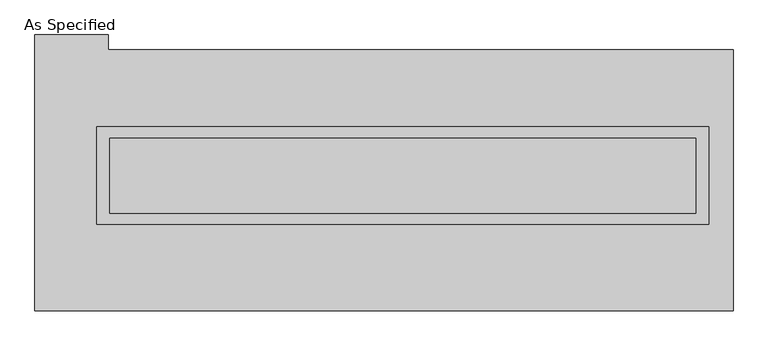
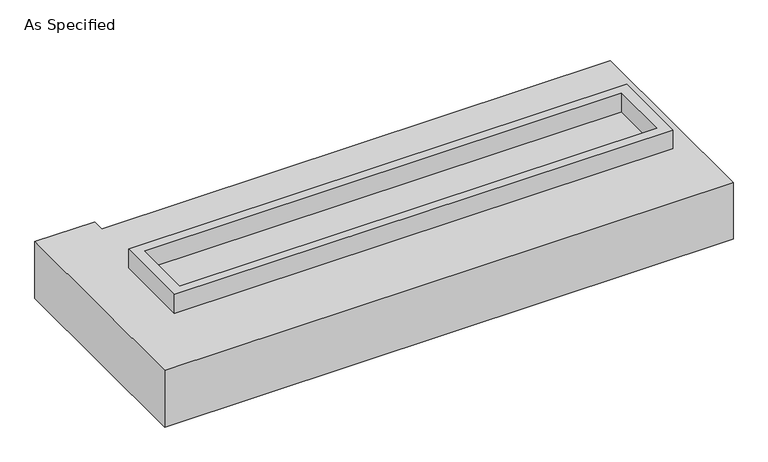
"""IFC4 building model written with IfcOpenShell, lengths in millimetres: proxy geometry, As Specified."""

import ifcopenshell
import ifcopenshell.guid

model = None  # the IFC model being written
_history = None  # IfcOwnerHistory: only IFC2X3 demands one
_inside = {}  # id of a spatial element -> (the spatial element, [elements in it])
_under = {}  # id of a project, library or spatial element -> (it, [spatial elements below it])
_declared = {}  # id of a project -> (the project, [libraries it declares])
_typed = {}  # id of a type object -> (the type object, [elements of that type])
_made_of = {}  # id of a material, layer set ... -> (it, [elements and type objects made of it])


def new_model(schema):
    """Start an empty IFC model of exactly this schema.

    Asked for "IFC4X3", IfcOpenShell would pick the latest addendum, in which some entities
    have other attributes; the version numbers below select the first issue.
    IFC2X3 requires an IfcOwnerHistory on every rooted entity: one is made here for all.
    """
    global model, _history
    if schema == "IFC4X3":
        model = ifcopenshell.file(schema_version=(4, 3, 0, 0))
    else:
        model = ifcopenshell.file(schema=schema)
    _inside.clear()
    _under.clear()
    _declared.clear()
    _typed.clear()
    _made_of.clear()
    _history = None
    if model.schema == "IFC2X3":
        org = make("IfcOrganization", Name="unknown")
        user = make(
            "IfcPersonAndOrganization",
            ThePerson=make("IfcPerson", FamilyName="unknown"),
            TheOrganization=org,
        )
        app = make(
            "IfcApplication",
            ApplicationDeveloper=org,
            Version="unknown",
            ApplicationFullName="unknown",
            ApplicationIdentifier="unknown",
        )
        _history = make(
            "IfcOwnerHistory",
            OwningUser=user,
            OwningApplication=app,
            ChangeAction="ADDED",
            CreationDate=0,
        )
    return model


def make(cls, **values):
    """One entity of the class cls with the attributes given. An attribute that is None is left unset."""
    return model.create_entity(
        cls, **{name: value for name, value in values.items() if value is not None}
    )


def rooted(cls, **values):
    """An entity with a GlobalId (a new one), such as an element, a storey or a relation."""
    return make(cls, GlobalId=ifcopenshell.guid.new(), OwnerHistory=_history, **values)


def si_unit(unit_type, name, prefix=None):
    """IfcSIUnit, for example si_unit("LENGTHUNIT", "METRE", prefix="MILLI")."""
    return make("IfcSIUnit", UnitType=unit_type, Prefix=prefix, Name=name)


def assignment(units):
    """IfcUnitAssignment: the units of a project."""
    return None if units is None else make("IfcUnitAssignment", Units=units)


def point(xyz):
    """IfcCartesianPoint."""
    return None if xyz is None else make("IfcCartesianPoint", Coordinates=xyz)


def direction(xyz):
    """IfcDirection."""
    return None if xyz is None else make("IfcDirection", DirectionRatios=xyz)


def frame(location, z_axis=None, x_axis=None):
    """IfcAxis2Placement3D, a coordinate frame: its origin and axes. An axis left out is left unset."""
    return make(
        "IfcAxis2Placement3D",
        Location=point(location),
        Axis=direction(z_axis),
        RefDirection=direction(x_axis),
    )


def origin():
    """The frame at (0, 0, 0) with its axes left unset."""
    return frame((0.0, 0.0, 0.0))


def place(relative_to, where):
    """IfcLocalPlacement: puts the frame where relative to a parent placement (None: the world)."""
    return make(
        "IfcLocalPlacement", PlacementRelTo=relative_to, RelativePlacement=where
    )


def context(
    kind, dimensions, precision=None, world=None, true_north=None, identifier=None
):
    """IfcGeometricRepresentationContext, for example the 3D "Model" context."""
    return make(
        "IfcGeometricRepresentationContext",
        ContextIdentifier=identifier,
        ContextType=kind,
        CoordinateSpaceDimension=dimensions,
        Precision=precision,
        WorldCoordinateSystem=world,
        TrueNorth=true_north,
    )


def project(units=None, contexts=None):
    """IfcProject with its units and contexts."""
    return rooted(
        "IfcProject",
        Name="project",
        RepresentationContexts=contexts,
        UnitsInContext=assignment(units),
    )


def spatial(cls, under=None, at=None, **own):
    """A site, building, storey or space (cls), placed at a placement, below another one or the project."""
    s = rooted(cls, ObjectPlacement=at, **own)
    if under is not None:
        _under.setdefault(under.id(), (under, []))[1].append(s)
    return s


def polyline(points):
    """IfcPolyline through the points."""
    return make("IfcPolyline", Points=[point(p) for p in points])


def outline(outer, holes=None, kind="AREA"):
    """IfcArbitraryClosedProfileDef: a profile drawn as a closed curve; with holes, ...WithVoids."""
    if holes is None:
        return make("IfcArbitraryClosedProfileDef", ProfileType=kind, OuterCurve=outer)
    return make(
        "IfcArbitraryProfileDefWithVoids",
        ProfileType=kind,
        OuterCurve=outer,
        InnerCurves=holes,
    )


def extrude(swept, where, along, depth):
    """IfcExtrudedAreaSolid: the profile swept, set in the frame where, extruded along a direction by depth."""
    return make(
        "IfcExtrudedAreaSolid",
        SweptArea=swept,
        Position=where,
        ExtrudedDirection=direction(along),
        Depth=depth,
    )


def faces_of(points, faces, orient=None, outer=None):
    """IfcFace entities. A face is a list of loops; a loop is a list of indices into points, from 0.

    orient and outer hold one flag for each loop. By default every Orientation is true, the
    first loop of a face is its IfcFaceOuterBound and the others are IfcFaceBound.
    """
    made = []
    for i, loops in enumerate(faces):
        bounds = []
        for j, loop in enumerate(loops):
            is_outer = j == 0 if outer is None else outer[i][j]
            bounds.append(
                make(
                    "IfcFaceOuterBound" if is_outer else "IfcFaceBound",
                    Bound=make("IfcPolyLoop", Polygon=[points[k] for k in loop]),
                    Orientation=True if orient is None else orient[i][j],
                )
            )
        made.append(make("IfcFace", Bounds=bounds))
    return made


def faceted_brep(points, faces, orient=None, outer=None, voids=None):
    """IfcFacetedBrep: a solid bounded by flat faces; with voids (closed shells), ...WithVoids."""
    shared = [point(p) for p in points]
    hull = make("IfcClosedShell", CfsFaces=faces_of(shared, faces, orient, outer))
    if voids is None:
        return make("IfcFacetedBrep", Outer=hull)
    return make(
        "IfcFacetedBrepWithVoids",
        Outer=hull,
        Voids=[
            make(cls, CfsFaces=faces_of(shared, fs, o, b)) for cls, fs, o, b in voids
        ],
    )


def shape(context_of_items, identifier, shape_type, items):
    """IfcShapeRepresentation: the items that make up one representation, for example the "Body"."""
    return make(
        "IfcShapeRepresentation",
        ContextOfItems=context_of_items,
        RepresentationIdentifier=identifier,
        RepresentationType=shape_type,
        Items=items,
    )


def source(mapping_origin, context_of_items, identifier, shape_type, items):
    """IfcRepresentationMap: a shape defined once, which mapped items show again and again."""
    return make(
        "IfcRepresentationMap",
        MappingOrigin=mapping_origin,
        MappedRepresentation=shape(context_of_items, identifier, shape_type, items),
    )


def transform(
    local_origin,
    x_axis=None,
    y_axis=None,
    z_axis=None,
    scale=None,
    scale2=None,
    scale3=None,
    uniform=True,
):
    """IfcCartesianTransformationOperator3D, or its non-uniform kind. x_axis, y_axis, z_axis: its Axis1, 2, 3."""
    if uniform:
        return make(
            "IfcCartesianTransformationOperator3D",
            Axis1=direction(x_axis),
            Axis2=direction(y_axis),
            LocalOrigin=point(local_origin),
            Scale=scale,
            Axis3=direction(z_axis),
        )
    return make(
        "IfcCartesianTransformationOperator3DnonUniform",
        Axis1=direction(x_axis),
        Axis2=direction(y_axis),
        LocalOrigin=point(local_origin),
        Scale=scale,
        Axis3=direction(z_axis),
        Scale2=scale2,
        Scale3=scale3,
    )


def mapped(mapping_source, mapping_target):
    """IfcMappedItem: shows the shape of a source again, moved by a transform."""
    return make(
        "IfcMappedItem", MappingSource=mapping_source, MappingTarget=mapping_target
    )


def made_of(thing, what):
    """Note that an element or type object is made of a material, layer set ...; save() writes the relation."""
    if what is not None:
        _made_of.setdefault(what.id(), (what, []))[1].append(thing)
    return thing


def element(
    cls,
    number,
    at=None,
    inside=None,
    cuts=None,
    type_object=None,
    material=None,
    context=None,
    identifier="Body",
    shape_type=None,
    held_by="IfcProductDefinitionShape",
    body=None,
    shapes=None,
    **own,
):
    """One element of the class cls, such as IfcWall. Its Tag is "e" and its number.

    at: its placement. inside: the storey or other place that contains it. cuts: it is an
    opening in that element (IfcRelVoidsElement). A single representation is given by context,
    identifier, shape_type and body (its items); several are given by shapes. held_by: the class
    of the entity that holds the representations. save() writes the other relations.
    """
    e = rooted(cls, Tag="e%d" % number, ObjectPlacement=at, **own)
    if body is not None:
        shapes = [shape(context, identifier, shape_type, body)]
    if shapes is not None:
        e.Representation = make(held_by, Representations=shapes)
    if inside is not None:
        _inside.setdefault(inside.id(), (inside, []))[1].append(e)
    if cuts is not None:
        rooted(
            "IfcRelVoidsElement", RelatingBuildingElement=cuts, RelatedOpeningElement=e
        )
    if type_object is not None:
        _typed.setdefault(type_object.id(), (type_object, []))[1].append(e)
    return made_of(e, material)


def aggregate(whole, parts):
    """IfcRelAggregates: a whole, such as a stair, and the parts it consists of."""
    return rooted("IfcRelAggregates", RelatingObject=whole, RelatedObjects=parts)


def save(model, path):
    """Write the relations noted so far, then the file.

    IfcRelAggregates (storeys below a building ...), IfcRelContainedInSpatialStructure (elements
    in a storey), IfcRelDefinesByType, IfcRelAssociatesMaterial and IfcRelDeclares: one each for
    every whole, place, type object, material and project.
    """
    for whole, parts in _under.values():
        aggregate(whole, parts)
    for where, things in _inside.values():
        rooted(
            "IfcRelContainedInSpatialStructure",
            RelatedElements=things,
            RelatingStructure=where,
        )
    for kind, things in _typed.values():
        rooted("IfcRelDefinesByType", RelatedObjects=things, RelatingType=kind)
    for what, things in _made_of.values():
        rooted("IfcRelAssociatesMaterial", RelatedObjects=things, RelatingMaterial=what)
    for by, libraries in _declared.values():
        rooted("IfcRelDeclares", RelatingContext=by, RelatedDefinitions=libraries)
    model.write(path)


def as_specified_534e2e0c(model_context):
    return source(origin(), model_context, "Body", "SolidModel", [
        extrude(outline(polyline([(2070.1, 361.95), (2070.1, -298.45), (-2070.1, -298.45), (-2070.1, 361.95), (2070.1, 361.95)]), holes=[polyline([(1981.2, 285.75), (-1981.2, 285.75), (-1981.2, -222.25), (1981.2, -222.25), (1981.2, 285.75)])]), frame((0.0, 0.0, -25.4), z_axis=(0.0, 0.0, 1.0), x_axis=(1.0, 0.0, 0.0)), (0.0, 0.0, 1.0), 165.1),
        extrude(outline(polyline([(1981.2, 285.75), (1981.2, -222.25), (-1981.2, -222.25), (-1981.2, 285.75), (1981.2, 285.75)])), frame((0.0, 0.0, -30.3609375), z_axis=(0.0, 0.0, 1.0), x_axis=(1.0, 0.0, 0.0)), (0.0, 0.0, 1.0), 4.9609375),
        faceted_brep([(2235.2, -882.65, -523.875), (-2489.2, -882.65, -523.875), (-2489.2, 984.25, -523.875), (-1993.9, 984.25, -523.875), (-1993.9, 882.65, -523.875), (2235.2, 882.65, -523.875), (-2489.2, -882.65, -25.4), (2235.2, -882.65, -25.4), (2235.2, 882.65, -25.4), (-1993.9, 882.65, -25.4), (-1993.9, 984.25, -25.4), (-2489.2, 984.25, -25.4), (-2070.1, -298.45, -25.4), (-2070.1, 361.95, -25.4), (2070.1, 361.95, -25.4), (2070.1, -298.45, -25.4), (2070.1, 361.95, -498.475), (-2070.1, 361.95, -498.475), (-2070.1, -298.45, -498.475), (2070.1, -298.45, -498.475)], [[[0, 1, 2, 3, 4, 5]], [[6, 7, 8, 9, 10, 11], [12, 13, 14, 15]], [[8, 5, 4, 9]], [[2, 1, 6, 11]], [[5, 8, 7, 0]], [[16, 17, 18, 19]], [[18, 17, 13, 12]], [[17, 16, 14, 13]], [[16, 19, 15, 14]], [[12, 15, 19, 18]], [[1, 0, 7, 6]], [[4, 3, 10, 9]], [[3, 2, 11, 10]]]),
    ])


if __name__ == "__main__":
    model = new_model("IFC4")
    model_context = context("Model", 3, world=origin())
    ifc_project = project(units=[si_unit("LENGTHUNIT", "METRE", prefix="MILLI")], contexts=[model_context])
    site = spatial("IfcSite", under=ifc_project)
    building = spatial("IfcBuilding", under=site)
    placement = place(None, origin())
    as_specified_shape = as_specified_534e2e0c(model_context)
    element("IfcBuildingElementProxy", 1, Name="As Specified", ObjectType="As Specified", at=placement, inside=building, context=model_context, shape_type="MappedRepresentation", body=[
        mapped(as_specified_shape, transform((0.0, 0.0, 0.0), x_axis=(1.0, 0.0, 0.0), y_axis=(0.0, 1.0, 0.0), z_axis=(0.0, 0.0, 1.0))),
    ])
    save(model, "model.ifc")
